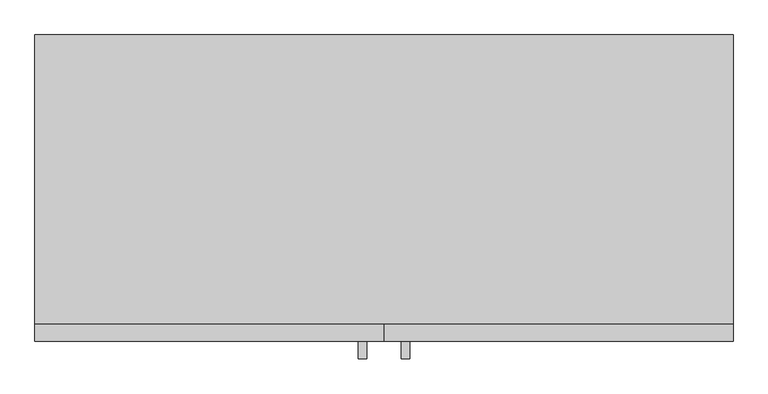
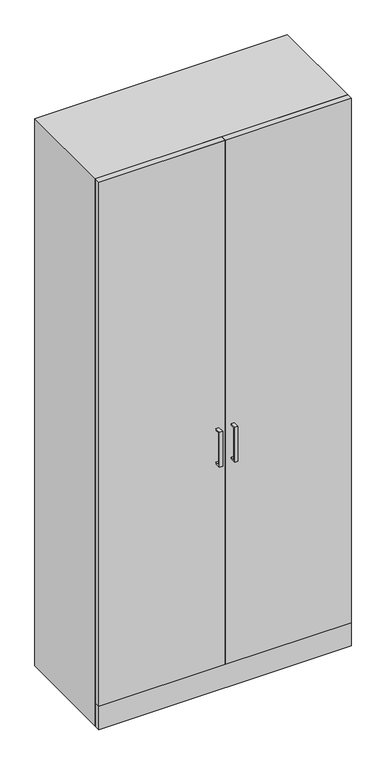
"""IFC4 building model written with IfcOpenShell, lengths in millimetres: proxy geometry."""

from ifc_helpers import new_model, si_unit, frame, origin, origin_with_axes, place, context, project, spatial, polyline, outline, extrude, faceted_brep, source, transform, mapped, element, save


def specialty_equipment_80e349f4(model_context):
    return source(origin(), model_context, "Body", "SolidModel", [
        extrude(outline(polyline([(-254.0, 1143.0), (-228.6, 1143.0), (-228.6, 1136.65), (-247.65, 1136.65), (-247.65, 996.95), (-228.6, 996.95), (-228.6, 990.6), (-254.0, 990.6), (-254.0, 1143.0)])), frame((-38.1, 0.0, 0.0), z_axis=(1.0, 0.0, 0.0), x_axis=(0.0, 1.0, 0.0)), (0.0, 0.0, 1.0), 12.7),
        extrude(outline(polyline([(-254.0, 1143.0), (-228.6, 1143.0), (-228.6, 1136.65), (-247.65, 1136.65), (-247.65, 996.95), (-228.6, 996.95), (-228.6, 990.6), (-254.0, 990.6), (-254.0, 1143.0)])), frame((25.4, 0.0, 0.0), z_axis=(1.0, 0.0, 0.0), x_axis=(0.0, 1.0, 0.0)), (0.0, 0.0, 1.0), 12.7),
        extrude(outline(polyline([(520.7, -203.2), (520.7, -228.6), (0.0, -228.6), (0.0, -203.2), (520.7, -203.2)])), frame((0.0, 0.0, 101.6), z_axis=(0.0, 0.0, 1.0), x_axis=(1.0, 0.0, 0.0)), (0.0, 0.0, 1.0), 2286.0),
        extrude(outline(polyline([(0.0, -228.6), (-520.7, -228.6), (-520.7, -203.2), (0.0, -203.2), (0.0, -228.6)])), frame((0.0, 0.0, 101.6), z_axis=(0.0, 0.0, 1.0), x_axis=(1.0, 0.0, 0.0)), (0.0, 0.0, 1.0), 2286.0),
        faceted_brep([(520.7, 228.6, 2387.6), (-520.7, 228.6, 2387.6), (-520.7, -203.2, 2387.6), (520.7, -203.2, 2387.6), (520.7, 228.6, 0.0), (520.7, -203.2, 0.0), (-520.7, -203.2, 0.0), (-520.7, 228.6, 0.0), (-495.3, -203.2, 2362.2), (495.3, -203.2, 2362.2), (495.3, -203.2, 101.6), (-495.3, -203.2, 101.6), (495.3, 203.2, 2362.2), (-495.3, 203.2, 2362.2), (-495.3, 203.2, 101.6), (495.3, 203.2, 101.6)], [[[0, 1, 2, 3]], [[4, 5, 6, 7]], [[1, 0, 4, 7]], [[2, 1, 7, 6]], [[3, 2, 6, 5], [8, 9, 10, 11]], [[0, 3, 5, 4]], [[12, 13, 14, 15]], [[13, 12, 9, 8]], [[14, 13, 8, 11]], [[15, 14, 11, 10]], [[12, 15, 10, 9]]]),
        extrude(outline(polyline([(-520.7, 228.6), (520.7, 228.6), (520.7, -228.6), (-520.7, -228.6), (-520.7, 0.0), (-520.7, 228.6)])), origin_with_axes(), (0.0, 0.0, 1.0), 2387.6),
    ])


if __name__ == "__main__":
    model = new_model("IFC4")
    model_context = context("Model", 3, world=origin())
    ifc_project = project(units=[si_unit("LENGTHUNIT", "METRE", prefix="MILLI")], contexts=[model_context])
    site = spatial("IfcSite", under=ifc_project)
    building = spatial("IfcBuilding", under=site)
    placement = place(None, origin())
    specialty_equipment_shape = specialty_equipment_80e349f4(model_context)
    element("IfcBuildingElementProxy", 1, Name="Specialty Equipment", at=placement, inside=building, context=model_context, shape_type="MappedRepresentation", body=[
        mapped(specialty_equipment_shape, transform((0.0, 0.0, 0.0), x_axis=(1.0, 0.0, 0.0), y_axis=(0.0, 1.0, 0.0), z_axis=(0.0, 0.0, 1.0))),
    ])
    save(model, "model.ifc")
